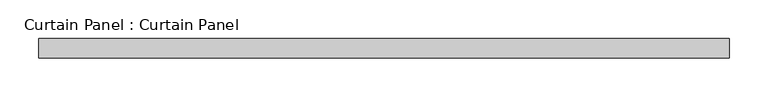
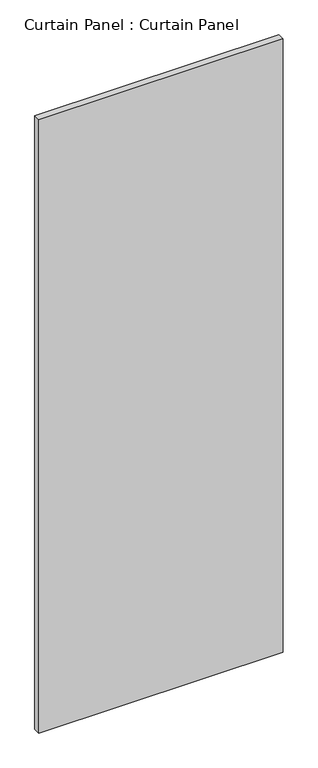
"""IFC4 building model written with IfcOpenShell, lengths in millimetres: plate geometry, Curtain Panel : Curtain Panel."""

from ifc_helpers import new_model, si_unit, frame, origin, place, context, project, spatial, polyline, outline, extrude, source, transform, mapped, element, save


def curtain_panel_curtain_panel_b7a87b17(model_context):
    return source(origin(), model_context, "Body", "SweptSolid", [
        extrude(outline(polyline([(-33298.9246935, 579.5565472), (-34194.2876734, 579.5565472), (-34194.2876734, 604.9565472), (-33298.9246935, 604.9565472), (-33298.9246935, 579.5565472)])), frame((0.0, 0.0, -626.0104492), z_axis=(0.0, 0.0, 1.0), x_axis=(1.0, 0.0, 0.0)), (0.0, 0.0, 1.0), 2374.7884865),
    ])


if __name__ == "__main__":
    model = new_model("IFC4")
    model_context = context("Model", 3, world=origin())
    ifc_project = project(units=[si_unit("LENGTHUNIT", "METRE", prefix="MILLI")], contexts=[model_context])
    site = spatial("IfcSite", under=ifc_project)
    building = spatial("IfcBuilding", under=site)
    placement = place(None, origin())
    curtain_panel_curtain_panel_shape = curtain_panel_curtain_panel_b7a87b17(model_context)
    element("IfcPlate", 1, ObjectType="Curtain Panel : Curtain Panel", at=placement, inside=building, context=model_context, shape_type="MappedRepresentation", body=[
        mapped(curtain_panel_curtain_panel_shape, transform((0.0, 0.0, 0.0), x_axis=(1.0, 0.0, 0.0), y_axis=(0.0, 1.0, 0.0), z_axis=(0.0, 0.0, 1.0))),
    ])
    save(model, "model.ifc")
